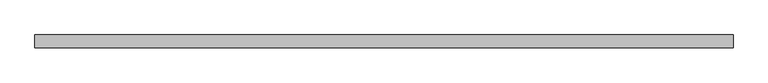
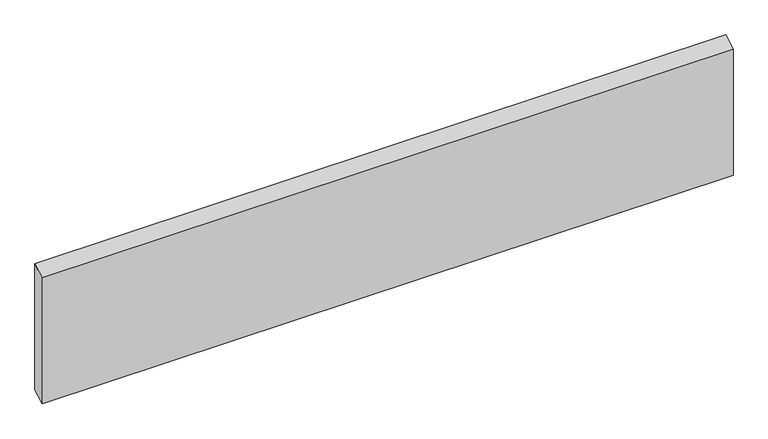
"""IFC4 building model written with IfcOpenShell, lengths in millimetres: beam geometry."""

import ifcopenshell
import ifcopenshell.guid

model = None  # the IFC model being written
_history = None  # IfcOwnerHistory: only IFC2X3 demands one
_inside = {}  # id of a spatial element -> (the spatial element, [elements in it])
_under = {}  # id of a project, library or spatial element -> (it, [spatial elements below it])
_declared = {}  # id of a project -> (the project, [libraries it declares])
_typed = {}  # id of a type object -> (the type object, [elements of that type])
_made_of = {}  # id of a material, layer set ... -> (it, [elements and type objects made of it])


def new_model(schema):
    """Start an empty IFC model of exactly this schema.

    Asked for "IFC4X3", IfcOpenShell would pick the latest addendum, in which some entities
    have other attributes; the version numbers below select the first issue.
    IFC2X3 requires an IfcOwnerHistory on every rooted entity: one is made here for all.
    """
    global model, _history
    if schema == "IFC4X3":
        model = ifcopenshell.file(schema_version=(4, 3, 0, 0))
    else:
        model = ifcopenshell.file(schema=schema)
    _inside.clear()
    _under.clear()
    _declared.clear()
    _typed.clear()
    _made_of.clear()
    _history = None
    if model.schema == "IFC2X3":
        org = make("IfcOrganization", Name="unknown")
        user = make(
            "IfcPersonAndOrganization",
            ThePerson=make("IfcPerson", FamilyName="unknown"),
            TheOrganization=org,
        )
        app = make(
            "IfcApplication",
            ApplicationDeveloper=org,
            Version="unknown",
            ApplicationFullName="unknown",
            ApplicationIdentifier="unknown",
        )
        _history = make(
            "IfcOwnerHistory",
            OwningUser=user,
            OwningApplication=app,
            ChangeAction="ADDED",
            CreationDate=0,
        )
    return model


def make(cls, **values):
    """One entity of the class cls with the attributes given. An attribute that is None is left unset."""
    return model.create_entity(
        cls, **{name: value for name, value in values.items() if value is not None}
    )


def rooted(cls, **values):
    """An entity with a GlobalId (a new one), such as an element, a storey or a relation."""
    return make(cls, GlobalId=ifcopenshell.guid.new(), OwnerHistory=_history, **values)


def si_unit(unit_type, name, prefix=None):
    """IfcSIUnit, for example si_unit("LENGTHUNIT", "METRE", prefix="MILLI")."""
    return make("IfcSIUnit", UnitType=unit_type, Prefix=prefix, Name=name)


def assignment(units):
    """IfcUnitAssignment: the units of a project."""
    return None if units is None else make("IfcUnitAssignment", Units=units)


def point(xyz):
    """IfcCartesianPoint."""
    return None if xyz is None else make("IfcCartesianPoint", Coordinates=xyz)


def direction(xyz):
    """IfcDirection."""
    return None if xyz is None else make("IfcDirection", DirectionRatios=xyz)


def frame(location, z_axis=None, x_axis=None):
    """IfcAxis2Placement3D, a coordinate frame: its origin and axes. An axis left out is left unset."""
    return make(
        "IfcAxis2Placement3D",
        Location=point(location),
        Axis=direction(z_axis),
        RefDirection=direction(x_axis),
    )


def origin():
    """The frame at (0, 0, 0) with its axes left unset."""
    return frame((0.0, 0.0, 0.0))


def place(relative_to, where):
    """IfcLocalPlacement: puts the frame where relative to a parent placement (None: the world)."""
    return make(
        "IfcLocalPlacement", PlacementRelTo=relative_to, RelativePlacement=where
    )


def context(
    kind, dimensions, precision=None, world=None, true_north=None, identifier=None
):
    """IfcGeometricRepresentationContext, for example the 3D "Model" context."""
    return make(
        "IfcGeometricRepresentationContext",
        ContextIdentifier=identifier,
        ContextType=kind,
        CoordinateSpaceDimension=dimensions,
        Precision=precision,
        WorldCoordinateSystem=world,
        TrueNorth=true_north,
    )


def project(units=None, contexts=None):
    """IfcProject with its units and contexts."""
    return rooted(
        "IfcProject",
        Name="project",
        RepresentationContexts=contexts,
        UnitsInContext=assignment(units),
    )


def spatial(cls, under=None, at=None, **own):
    """A site, building, storey or space (cls), placed at a placement, below another one or the project."""
    s = rooted(cls, ObjectPlacement=at, **own)
    if under is not None:
        _under.setdefault(under.id(), (under, []))[1].append(s)
    return s


def polyline(points):
    """IfcPolyline through the points."""
    return make("IfcPolyline", Points=[point(p) for p in points])


def outline(outer, holes=None, kind="AREA"):
    """IfcArbitraryClosedProfileDef: a profile drawn as a closed curve; with holes, ...WithVoids."""
    if holes is None:
        return make("IfcArbitraryClosedProfileDef", ProfileType=kind, OuterCurve=outer)
    return make(
        "IfcArbitraryProfileDefWithVoids",
        ProfileType=kind,
        OuterCurve=outer,
        InnerCurves=holes,
    )


def extrude(swept, where, along, depth):
    """IfcExtrudedAreaSolid: the profile swept, set in the frame where, extruded along a direction by depth."""
    return make(
        "IfcExtrudedAreaSolid",
        SweptArea=swept,
        Position=where,
        ExtrudedDirection=direction(along),
        Depth=depth,
    )


def shape(context_of_items, identifier, shape_type, items):
    """IfcShapeRepresentation: the items that make up one representation, for example the "Body"."""
    return make(
        "IfcShapeRepresentation",
        ContextOfItems=context_of_items,
        RepresentationIdentifier=identifier,
        RepresentationType=shape_type,
        Items=items,
    )


def source(mapping_origin, context_of_items, identifier, shape_type, items):
    """IfcRepresentationMap: a shape defined once, which mapped items show again and again."""
    return make(
        "IfcRepresentationMap",
        MappingOrigin=mapping_origin,
        MappedRepresentation=shape(context_of_items, identifier, shape_type, items),
    )


def transform(
    local_origin,
    x_axis=None,
    y_axis=None,
    z_axis=None,
    scale=None,
    scale2=None,
    scale3=None,
    uniform=True,
):
    """IfcCartesianTransformationOperator3D, or its non-uniform kind. x_axis, y_axis, z_axis: its Axis1, 2, 3."""
    if uniform:
        return make(
            "IfcCartesianTransformationOperator3D",
            Axis1=direction(x_axis),
            Axis2=direction(y_axis),
            LocalOrigin=point(local_origin),
            Scale=scale,
            Axis3=direction(z_axis),
        )
    return make(
        "IfcCartesianTransformationOperator3DnonUniform",
        Axis1=direction(x_axis),
        Axis2=direction(y_axis),
        LocalOrigin=point(local_origin),
        Scale=scale,
        Axis3=direction(z_axis),
        Scale2=scale2,
        Scale3=scale3,
    )


def mapped(mapping_source, mapping_target):
    """IfcMappedItem: shows the shape of a source again, moved by a transform."""
    return make(
        "IfcMappedItem", MappingSource=mapping_source, MappingTarget=mapping_target
    )


def made_of(thing, what):
    """Note that an element or type object is made of a material, layer set ...; save() writes the relation."""
    if what is not None:
        _made_of.setdefault(what.id(), (what, []))[1].append(thing)
    return thing


def element(
    cls,
    number,
    at=None,
    inside=None,
    cuts=None,
    type_object=None,
    material=None,
    context=None,
    identifier="Body",
    shape_type=None,
    held_by="IfcProductDefinitionShape",
    body=None,
    shapes=None,
    **own,
):
    """One element of the class cls, such as IfcWall. Its Tag is "e" and its number.

    at: its placement. inside: the storey or other place that contains it. cuts: it is an
    opening in that element (IfcRelVoidsElement). A single representation is given by context,
    identifier, shape_type and body (its items); several are given by shapes. held_by: the class
    of the entity that holds the representations. save() writes the other relations.
    """
    e = rooted(cls, Tag="e%d" % number, ObjectPlacement=at, **own)
    if body is not None:
        shapes = [shape(context, identifier, shape_type, body)]
    if shapes is not None:
        e.Representation = make(held_by, Representations=shapes)
    if inside is not None:
        _inside.setdefault(inside.id(), (inside, []))[1].append(e)
    if cuts is not None:
        rooted(
            "IfcRelVoidsElement", RelatingBuildingElement=cuts, RelatedOpeningElement=e
        )
    if type_object is not None:
        _typed.setdefault(type_object.id(), (type_object, []))[1].append(e)
    return made_of(e, material)


def aggregate(whole, parts):
    """IfcRelAggregates: a whole, such as a stair, and the parts it consists of."""
    return rooted("IfcRelAggregates", RelatingObject=whole, RelatedObjects=parts)


def save(model, path):
    """Write the relations noted so far, then the file.

    IfcRelAggregates (storeys below a building ...), IfcRelContainedInSpatialStructure (elements
    in a storey), IfcRelDefinesByType, IfcRelAssociatesMaterial and IfcRelDeclares: one each for
    every whole, place, type object, material and project.
    """
    for whole, parts in _under.values():
        aggregate(whole, parts)
    for where, things in _inside.values():
        rooted(
            "IfcRelContainedInSpatialStructure",
            RelatedElements=things,
            RelatingStructure=where,
        )
    for kind, things in _typed.values():
        rooted("IfcRelDefinesByType", RelatedObjects=things, RelatingType=kind)
    for what, things in _made_of.values():
        rooted("IfcRelAssociatesMaterial", RelatedObjects=things, RelatingMaterial=what)
    for by, libraries in _declared.values():
        rooted("IfcRelDeclares", RelatingContext=by, RelatedDefinitions=libraries)
    model.write(path)


def beam_96af5f6e(model_context):
    return source(origin(), model_context, "Body", "SweptSolid", [
        extrude(outline(polyline([(11.0, 122.1870332), (11.0, -109.3536999), (-11.0, -122.1870332), (-11.0, 109.3536999), (11.0, 122.1870332)])), frame((-601.0, 0.0, 0.0), z_axis=(1.0, 0.0, 0.0), x_axis=(0.0, 1.0, 0.0)), (0.0, 0.0, 1.0), 1202.0),
    ])


if __name__ == "__main__":
    model = new_model("IFC4")
    model_context = context("Model", 3, world=origin())
    ifc_project = project(units=[si_unit("LENGTHUNIT", "METRE", prefix="MILLI")], contexts=[model_context])
    site = spatial("IfcSite", under=ifc_project)
    building = spatial("IfcBuilding", under=site)
    placement = place(None, origin())
    beam_shape = beam_96af5f6e(model_context)
    element("IfcBeam", 1, at=placement, inside=building, context=model_context, shape_type="MappedRepresentation", body=[
        mapped(beam_shape, transform((0.0, 0.0, 0.0), x_axis=(1.0, 0.0, 0.0), y_axis=(0.0, 1.0, 0.0), z_axis=(0.0, 0.0, 1.0))),
    ])
    save(model, "model.ifc")
